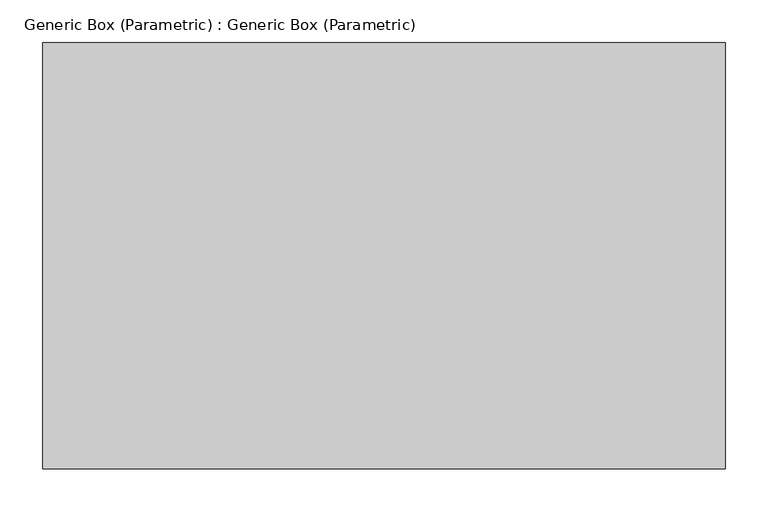
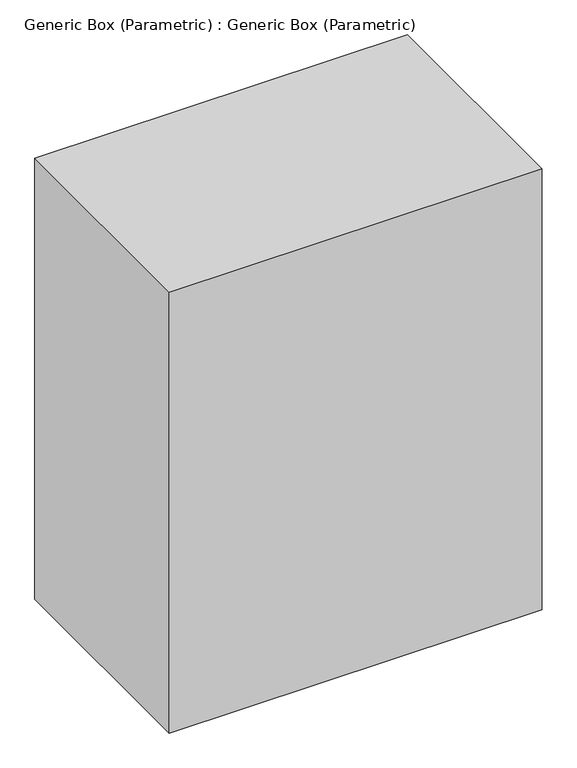
"""IFC4 building model written with IfcOpenShell, lengths in millimetres: proxy geometry, Generic Box (Parametric) : Generic Box (Parametric)."""

import ifcopenshell
import ifcopenshell.guid

model = None  # the IFC model being written
_history = None  # IfcOwnerHistory: only IFC2X3 demands one
_inside = {}  # id of a spatial element -> (the spatial element, [elements in it])
_under = {}  # id of a project, library or spatial element -> (it, [spatial elements below it])
_declared = {}  # id of a project -> (the project, [libraries it declares])
_typed = {}  # id of a type object -> (the type object, [elements of that type])
_made_of = {}  # id of a material, layer set ... -> (it, [elements and type objects made of it])


def new_model(schema):
    """Start an empty IFC model of exactly this schema.

    Asked for "IFC4X3", IfcOpenShell would pick the latest addendum, in which some entities
    have other attributes; the version numbers below select the first issue.
    IFC2X3 requires an IfcOwnerHistory on every rooted entity: one is made here for all.
    """
    global model, _history
    if schema == "IFC4X3":
        model = ifcopenshell.file(schema_version=(4, 3, 0, 0))
    else:
        model = ifcopenshell.file(schema=schema)
    _inside.clear()
    _under.clear()
    _declared.clear()
    _typed.clear()
    _made_of.clear()
    _history = None
    if model.schema == "IFC2X3":
        org = make("IfcOrganization", Name="unknown")
        user = make(
            "IfcPersonAndOrganization",
            ThePerson=make("IfcPerson", FamilyName="unknown"),
            TheOrganization=org,
        )
        app = make(
            "IfcApplication",
            ApplicationDeveloper=org,
            Version="unknown",
            ApplicationFullName="unknown",
            ApplicationIdentifier="unknown",
        )
        _history = make(
            "IfcOwnerHistory",
            OwningUser=user,
            OwningApplication=app,
            ChangeAction="ADDED",
            CreationDate=0,
        )
    return model


def make(cls, **values):
    """One entity of the class cls with the attributes given. An attribute that is None is left unset."""
    return model.create_entity(
        cls, **{name: value for name, value in values.items() if value is not None}
    )


def rooted(cls, **values):
    """An entity with a GlobalId (a new one), such as an element, a storey or a relation."""
    return make(cls, GlobalId=ifcopenshell.guid.new(), OwnerHistory=_history, **values)


def si_unit(unit_type, name, prefix=None):
    """IfcSIUnit, for example si_unit("LENGTHUNIT", "METRE", prefix="MILLI")."""
    return make("IfcSIUnit", UnitType=unit_type, Prefix=prefix, Name=name)


def assignment(units):
    """IfcUnitAssignment: the units of a project."""
    return None if units is None else make("IfcUnitAssignment", Units=units)


def point(xyz):
    """IfcCartesianPoint."""
    return None if xyz is None else make("IfcCartesianPoint", Coordinates=xyz)


def direction(xyz):
    """IfcDirection."""
    return None if xyz is None else make("IfcDirection", DirectionRatios=xyz)


def frame(location, z_axis=None, x_axis=None):
    """IfcAxis2Placement3D, a coordinate frame: its origin and axes. An axis left out is left unset."""
    return make(
        "IfcAxis2Placement3D",
        Location=point(location),
        Axis=direction(z_axis),
        RefDirection=direction(x_axis),
    )


def origin():
    """The frame at (0, 0, 0) with its axes left unset."""
    return frame((0.0, 0.0, 0.0))


def origin_with_axes():
    """The frame at (0, 0, 0) with the z axis (0, 0, 1) and the x axis (1, 0, 0) written out."""
    return frame((0.0, 0.0, 0.0), z_axis=(0.0, 0.0, 1.0), x_axis=(1.0, 0.0, 0.0))


def place(relative_to, where):
    """IfcLocalPlacement: puts the frame where relative to a parent placement (None: the world)."""
    return make(
        "IfcLocalPlacement", PlacementRelTo=relative_to, RelativePlacement=where
    )


def context(
    kind, dimensions, precision=None, world=None, true_north=None, identifier=None
):
    """IfcGeometricRepresentationContext, for example the 3D "Model" context."""
    return make(
        "IfcGeometricRepresentationContext",
        ContextIdentifier=identifier,
        ContextType=kind,
        CoordinateSpaceDimension=dimensions,
        Precision=precision,
        WorldCoordinateSystem=world,
        TrueNorth=true_north,
    )


def project(units=None, contexts=None):
    """IfcProject with its units and contexts."""
    return rooted(
        "IfcProject",
        Name="project",
        RepresentationContexts=contexts,
        UnitsInContext=assignment(units),
    )


def spatial(cls, under=None, at=None, **own):
    """A site, building, storey or space (cls), placed at a placement, below another one or the project."""
    s = rooted(cls, ObjectPlacement=at, **own)
    if under is not None:
        _under.setdefault(under.id(), (under, []))[1].append(s)
    return s


def polyline(points):
    """IfcPolyline through the points."""
    return make("IfcPolyline", Points=[point(p) for p in points])


def outline(outer, holes=None, kind="AREA"):
    """IfcArbitraryClosedProfileDef: a profile drawn as a closed curve; with holes, ...WithVoids."""
    if holes is None:
        return make("IfcArbitraryClosedProfileDef", ProfileType=kind, OuterCurve=outer)
    return make(
        "IfcArbitraryProfileDefWithVoids",
        ProfileType=kind,
        OuterCurve=outer,
        InnerCurves=holes,
    )


def extrude(swept, where, along, depth):
    """IfcExtrudedAreaSolid: the profile swept, set in the frame where, extruded along a direction by depth."""
    return make(
        "IfcExtrudedAreaSolid",
        SweptArea=swept,
        Position=where,
        ExtrudedDirection=direction(along),
        Depth=depth,
    )


def shape(context_of_items, identifier, shape_type, items):
    """IfcShapeRepresentation: the items that make up one representation, for example the "Body"."""
    return make(
        "IfcShapeRepresentation",
        ContextOfItems=context_of_items,
        RepresentationIdentifier=identifier,
        RepresentationType=shape_type,
        Items=items,
    )


def source(mapping_origin, context_of_items, identifier, shape_type, items):
    """IfcRepresentationMap: a shape defined once, which mapped items show again and again."""
    return make(
        "IfcRepresentationMap",
        MappingOrigin=mapping_origin,
        MappedRepresentation=shape(context_of_items, identifier, shape_type, items),
    )


def transform(
    local_origin,
    x_axis=None,
    y_axis=None,
    z_axis=None,
    scale=None,
    scale2=None,
    scale3=None,
    uniform=True,
):
    """IfcCartesianTransformationOperator3D, or its non-uniform kind. x_axis, y_axis, z_axis: its Axis1, 2, 3."""
    if uniform:
        return make(
            "IfcCartesianTransformationOperator3D",
            Axis1=direction(x_axis),
            Axis2=direction(y_axis),
            LocalOrigin=point(local_origin),
            Scale=scale,
            Axis3=direction(z_axis),
        )
    return make(
        "IfcCartesianTransformationOperator3DnonUniform",
        Axis1=direction(x_axis),
        Axis2=direction(y_axis),
        LocalOrigin=point(local_origin),
        Scale=scale,
        Axis3=direction(z_axis),
        Scale2=scale2,
        Scale3=scale3,
    )


def mapped(mapping_source, mapping_target):
    """IfcMappedItem: shows the shape of a source again, moved by a transform."""
    return make(
        "IfcMappedItem", MappingSource=mapping_source, MappingTarget=mapping_target
    )


def made_of(thing, what):
    """Note that an element or type object is made of a material, layer set ...; save() writes the relation."""
    if what is not None:
        _made_of.setdefault(what.id(), (what, []))[1].append(thing)
    return thing


def element(
    cls,
    number,
    at=None,
    inside=None,
    cuts=None,
    type_object=None,
    material=None,
    context=None,
    identifier="Body",
    shape_type=None,
    held_by="IfcProductDefinitionShape",
    body=None,
    shapes=None,
    **own,
):
    """One element of the class cls, such as IfcWall. Its Tag is "e" and its number.

    at: its placement. inside: the storey or other place that contains it. cuts: it is an
    opening in that element (IfcRelVoidsElement). A single representation is given by context,
    identifier, shape_type and body (its items); several are given by shapes. held_by: the class
    of the entity that holds the representations. save() writes the other relations.
    """
    e = rooted(cls, Tag="e%d" % number, ObjectPlacement=at, **own)
    if body is not None:
        shapes = [shape(context, identifier, shape_type, body)]
    if shapes is not None:
        e.Representation = make(held_by, Representations=shapes)
    if inside is not None:
        _inside.setdefault(inside.id(), (inside, []))[1].append(e)
    if cuts is not None:
        rooted(
            "IfcRelVoidsElement", RelatingBuildingElement=cuts, RelatedOpeningElement=e
        )
    if type_object is not None:
        _typed.setdefault(type_object.id(), (type_object, []))[1].append(e)
    return made_of(e, material)


def aggregate(whole, parts):
    """IfcRelAggregates: a whole, such as a stair, and the parts it consists of."""
    return rooted("IfcRelAggregates", RelatingObject=whole, RelatedObjects=parts)


def save(model, path):
    """Write the relations noted so far, then the file.

    IfcRelAggregates (storeys below a building ...), IfcRelContainedInSpatialStructure (elements
    in a storey), IfcRelDefinesByType, IfcRelAssociatesMaterial and IfcRelDeclares: one each for
    every whole, place, type object, material and project.
    """
    for whole, parts in _under.values():
        aggregate(whole, parts)
    for where, things in _inside.values():
        rooted(
            "IfcRelContainedInSpatialStructure",
            RelatedElements=things,
            RelatingStructure=where,
        )
    for kind, things in _typed.values():
        rooted("IfcRelDefinesByType", RelatedObjects=things, RelatingType=kind)
    for what, things in _made_of.values():
        rooted("IfcRelAssociatesMaterial", RelatedObjects=things, RelatingMaterial=what)
    for by, libraries in _declared.values():
        rooted("IfcRelDeclares", RelatingContext=by, RelatedDefinitions=libraries)
    model.write(path)


def generic_box_parametric_generic_box_parametric_963f16d0(model_context):
    return source(origin(), model_context, "Body", "SweptSolid", [
        extrude(outline(polyline([(400.0, 250.0), (400.0, -250.0), (-400.0, -250.0), (-400.0, 250.0), (400.0, 250.0)])), origin_with_axes(), (0.0, 0.0, 1.0), 1000.0),
    ])


if __name__ == "__main__":
    model = new_model("IFC4")
    model_context = context("Model", 3, world=origin())
    ifc_project = project(units=[si_unit("LENGTHUNIT", "METRE", prefix="MILLI")], contexts=[model_context])
    site = spatial("IfcSite", under=ifc_project)
    building = spatial("IfcBuilding", under=site)
    placement = place(None, origin())
    generic_box_parametric_generic_box_parametric_shape = generic_box_parametric_generic_box_parametric_963f16d0(model_context)
    element("IfcBuildingElementProxy", 1, Name="Generic Box (Parametric) : Generic Box (Parametric)", ObjectType="Generic Box (Parametric) : Generic Box (Parametric)", at=placement, inside=building, context=model_context, shape_type="MappedRepresentation", body=[
        mapped(generic_box_parametric_generic_box_parametric_shape, transform((0.0, 0.0, 0.0), x_axis=(1.0, 0.0, 0.0), y_axis=(0.0, 1.0, 0.0), z_axis=(0.0, 0.0, 1.0))),
    ])
    save(model, "model.ifc")
